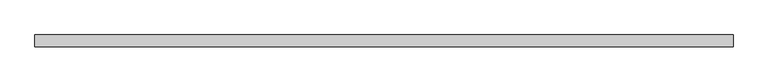
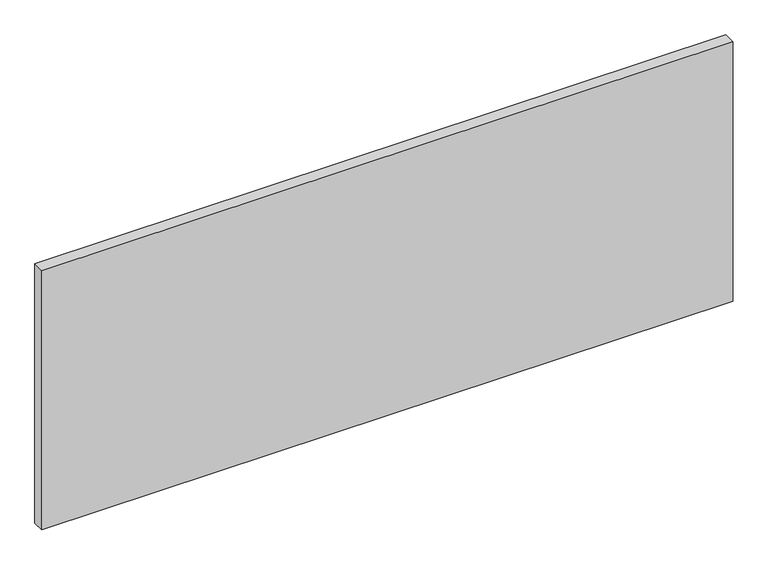
"""IFC4 building model written with IfcOpenShell, lengths in millimetres: plate geometry."""

from ifc_helpers import new_model, si_unit, origin, origin_with_axes, place, context, project, spatial, polyline, outline, extrude, source, transform, mapped, element, save


def plate_2a9bebed(model_context):
    return source(origin(), model_context, "Body", "SweptSolid", [
        extrude(outline(polyline([(725.0, -12.5), (-725.0, -12.5), (-725.0, 12.5), (725.0, 12.5), (725.0, -12.5)])), origin_with_axes(), (0.0, 0.0, 1.0), 575.0),
    ])


if __name__ == "__main__":
    model = new_model("IFC4")
    model_context = context("Model", 3, world=origin())
    ifc_project = project(units=[si_unit("LENGTHUNIT", "METRE", prefix="MILLI")], contexts=[model_context])
    site = spatial("IfcSite", under=ifc_project)
    building = spatial("IfcBuilding", under=site)
    placement = place(None, origin())
    plate_shape = plate_2a9bebed(model_context)
    element("IfcPlate", 1, at=placement, inside=building, context=model_context, shape_type="MappedRepresentation", body=[
        mapped(plate_shape, transform((0.0, 0.0, 0.0), x_axis=(1.0, 0.0, 0.0), y_axis=(0.0, 1.0, 0.0), z_axis=(0.0, 0.0, 1.0))),
    ])
    save(model, "model.ifc")
